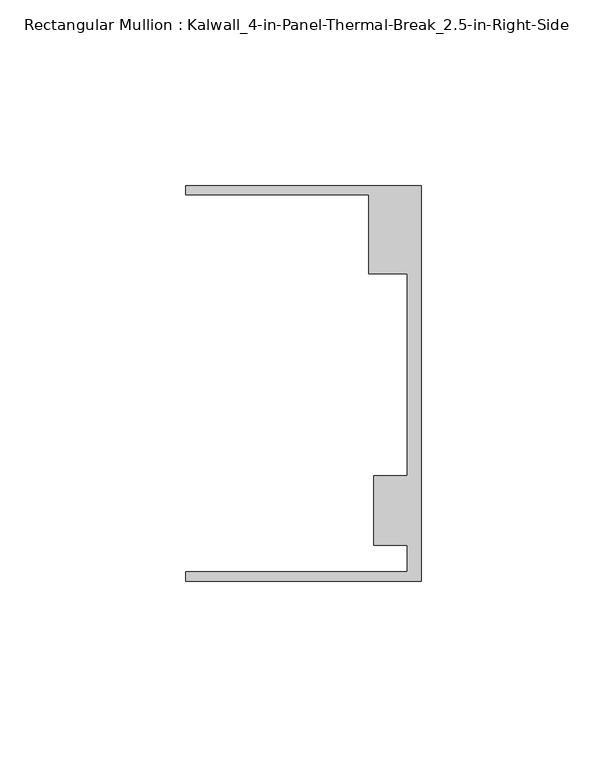
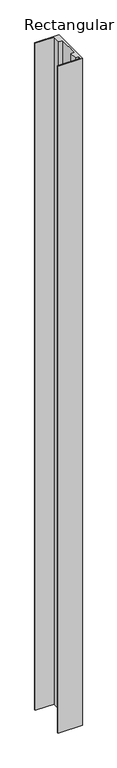
"""IFC4 building model written with IfcOpenShell, lengths in millimetres: member geometry, Rectangular Mullion : Kalwall_4-in-Panel-Thermal-Break_2.5-in-Right-Side."""

import ifcopenshell
import ifcopenshell.guid

model = None  # the IFC model being written
_history = None  # IfcOwnerHistory: only IFC2X3 demands one
_inside = {}  # id of a spatial element -> (the spatial element, [elements in it])
_under = {}  # id of a project, library or spatial element -> (it, [spatial elements below it])
_declared = {}  # id of a project -> (the project, [libraries it declares])
_typed = {}  # id of a type object -> (the type object, [elements of that type])
_made_of = {}  # id of a material, layer set ... -> (it, [elements and type objects made of it])


def new_model(schema):
    """Start an empty IFC model of exactly this schema.

    Asked for "IFC4X3", IfcOpenShell would pick the latest addendum, in which some entities
    have other attributes; the version numbers below select the first issue.
    IFC2X3 requires an IfcOwnerHistory on every rooted entity: one is made here for all.
    """
    global model, _history
    if schema == "IFC4X3":
        model = ifcopenshell.file(schema_version=(4, 3, 0, 0))
    else:
        model = ifcopenshell.file(schema=schema)
    _inside.clear()
    _under.clear()
    _declared.clear()
    _typed.clear()
    _made_of.clear()
    _history = None
    if model.schema == "IFC2X3":
        org = make("IfcOrganization", Name="unknown")
        user = make(
            "IfcPersonAndOrganization",
            ThePerson=make("IfcPerson", FamilyName="unknown"),
            TheOrganization=org,
        )
        app = make(
            "IfcApplication",
            ApplicationDeveloper=org,
            Version="unknown",
            ApplicationFullName="unknown",
            ApplicationIdentifier="unknown",
        )
        _history = make(
            "IfcOwnerHistory",
            OwningUser=user,
            OwningApplication=app,
            ChangeAction="ADDED",
            CreationDate=0,
        )
    return model


def make(cls, **values):
    """One entity of the class cls with the attributes given. An attribute that is None is left unset."""
    return model.create_entity(
        cls, **{name: value for name, value in values.items() if value is not None}
    )


def rooted(cls, **values):
    """An entity with a GlobalId (a new one), such as an element, a storey or a relation."""
    return make(cls, GlobalId=ifcopenshell.guid.new(), OwnerHistory=_history, **values)


def si_unit(unit_type, name, prefix=None):
    """IfcSIUnit, for example si_unit("LENGTHUNIT", "METRE", prefix="MILLI")."""
    return make("IfcSIUnit", UnitType=unit_type, Prefix=prefix, Name=name)


def assignment(units):
    """IfcUnitAssignment: the units of a project."""
    return None if units is None else make("IfcUnitAssignment", Units=units)


def point(xyz):
    """IfcCartesianPoint."""
    return None if xyz is None else make("IfcCartesianPoint", Coordinates=xyz)


def direction(xyz):
    """IfcDirection."""
    return None if xyz is None else make("IfcDirection", DirectionRatios=xyz)


def frame(location, z_axis=None, x_axis=None):
    """IfcAxis2Placement3D, a coordinate frame: its origin and axes. An axis left out is left unset."""
    return make(
        "IfcAxis2Placement3D",
        Location=point(location),
        Axis=direction(z_axis),
        RefDirection=direction(x_axis),
    )


def origin():
    """The frame at (0, 0, 0) with its axes left unset."""
    return frame((0.0, 0.0, 0.0))


def place(relative_to, where):
    """IfcLocalPlacement: puts the frame where relative to a parent placement (None: the world)."""
    return make(
        "IfcLocalPlacement", PlacementRelTo=relative_to, RelativePlacement=where
    )


def context(
    kind, dimensions, precision=None, world=None, true_north=None, identifier=None
):
    """IfcGeometricRepresentationContext, for example the 3D "Model" context."""
    return make(
        "IfcGeometricRepresentationContext",
        ContextIdentifier=identifier,
        ContextType=kind,
        CoordinateSpaceDimension=dimensions,
        Precision=precision,
        WorldCoordinateSystem=world,
        TrueNorth=true_north,
    )


def project(units=None, contexts=None):
    """IfcProject with its units and contexts."""
    return rooted(
        "IfcProject",
        Name="project",
        RepresentationContexts=contexts,
        UnitsInContext=assignment(units),
    )


def spatial(cls, under=None, at=None, **own):
    """A site, building, storey or space (cls), placed at a placement, below another one or the project."""
    s = rooted(cls, ObjectPlacement=at, **own)
    if under is not None:
        _under.setdefault(under.id(), (under, []))[1].append(s)
    return s


def polyline(points):
    """IfcPolyline through the points."""
    return make("IfcPolyline", Points=[point(p) for p in points])


def outline(outer, holes=None, kind="AREA"):
    """IfcArbitraryClosedProfileDef: a profile drawn as a closed curve; with holes, ...WithVoids."""
    if holes is None:
        return make("IfcArbitraryClosedProfileDef", ProfileType=kind, OuterCurve=outer)
    return make(
        "IfcArbitraryProfileDefWithVoids",
        ProfileType=kind,
        OuterCurve=outer,
        InnerCurves=holes,
    )


def extrude(swept, where, along, depth):
    """IfcExtrudedAreaSolid: the profile swept, set in the frame where, extruded along a direction by depth."""
    return make(
        "IfcExtrudedAreaSolid",
        SweptArea=swept,
        Position=where,
        ExtrudedDirection=direction(along),
        Depth=depth,
    )


def shape(context_of_items, identifier, shape_type, items):
    """IfcShapeRepresentation: the items that make up one representation, for example the "Body"."""
    return make(
        "IfcShapeRepresentation",
        ContextOfItems=context_of_items,
        RepresentationIdentifier=identifier,
        RepresentationType=shape_type,
        Items=items,
    )


def source(mapping_origin, context_of_items, identifier, shape_type, items):
    """IfcRepresentationMap: a shape defined once, which mapped items show again and again."""
    return make(
        "IfcRepresentationMap",
        MappingOrigin=mapping_origin,
        MappedRepresentation=shape(context_of_items, identifier, shape_type, items),
    )


def transform(
    local_origin,
    x_axis=None,
    y_axis=None,
    z_axis=None,
    scale=None,
    scale2=None,
    scale3=None,
    uniform=True,
):
    """IfcCartesianTransformationOperator3D, or its non-uniform kind. x_axis, y_axis, z_axis: its Axis1, 2, 3."""
    if uniform:
        return make(
            "IfcCartesianTransformationOperator3D",
            Axis1=direction(x_axis),
            Axis2=direction(y_axis),
            LocalOrigin=point(local_origin),
            Scale=scale,
            Axis3=direction(z_axis),
        )
    return make(
        "IfcCartesianTransformationOperator3DnonUniform",
        Axis1=direction(x_axis),
        Axis2=direction(y_axis),
        LocalOrigin=point(local_origin),
        Scale=scale,
        Axis3=direction(z_axis),
        Scale2=scale2,
        Scale3=scale3,
    )


def mapped(mapping_source, mapping_target):
    """IfcMappedItem: shows the shape of a source again, moved by a transform."""
    return make(
        "IfcMappedItem", MappingSource=mapping_source, MappingTarget=mapping_target
    )


def made_of(thing, what):
    """Note that an element or type object is made of a material, layer set ...; save() writes the relation."""
    if what is not None:
        _made_of.setdefault(what.id(), (what, []))[1].append(thing)
    return thing


def element(
    cls,
    number,
    at=None,
    inside=None,
    cuts=None,
    type_object=None,
    material=None,
    context=None,
    identifier="Body",
    shape_type=None,
    held_by="IfcProductDefinitionShape",
    body=None,
    shapes=None,
    **own,
):
    """One element of the class cls, such as IfcWall. Its Tag is "e" and its number.

    at: its placement. inside: the storey or other place that contains it. cuts: it is an
    opening in that element (IfcRelVoidsElement). A single representation is given by context,
    identifier, shape_type and body (its items); several are given by shapes. held_by: the class
    of the entity that holds the representations. save() writes the other relations.
    """
    e = rooted(cls, Tag="e%d" % number, ObjectPlacement=at, **own)
    if body is not None:
        shapes = [shape(context, identifier, shape_type, body)]
    if shapes is not None:
        e.Representation = make(held_by, Representations=shapes)
    if inside is not None:
        _inside.setdefault(inside.id(), (inside, []))[1].append(e)
    if cuts is not None:
        rooted(
            "IfcRelVoidsElement", RelatingBuildingElement=cuts, RelatedOpeningElement=e
        )
    if type_object is not None:
        _typed.setdefault(type_object.id(), (type_object, []))[1].append(e)
    return made_of(e, material)


def aggregate(whole, parts):
    """IfcRelAggregates: a whole, such as a stair, and the parts it consists of."""
    return rooted("IfcRelAggregates", RelatingObject=whole, RelatedObjects=parts)


def save(model, path):
    """Write the relations noted so far, then the file.

    IfcRelAggregates (storeys below a building ...), IfcRelContainedInSpatialStructure (elements
    in a storey), IfcRelDefinesByType, IfcRelAssociatesMaterial and IfcRelDeclares: one each for
    every whole, place, type object, material and project.
    """
    for whole, parts in _under.values():
        aggregate(whole, parts)
    for where, things in _inside.values():
        rooted(
            "IfcRelContainedInSpatialStructure",
            RelatedElements=things,
            RelatingStructure=where,
        )
    for kind, things in _typed.values():
        rooted("IfcRelDefinesByType", RelatedObjects=things, RelatingType=kind)
    for what, things in _made_of.values():
        rooted("IfcRelAssociatesMaterial", RelatedObjects=things, RelatingMaterial=what)
    for by, libraries in _declared.values():
        rooted("IfcRelDeclares", RelatingContext=by, RelatedDefinitions=libraries)
    model.write(path)


def rectangular_mullion_kalwall_4_in_panel_thermal_break_2_5_in_94dcc735(model_context):
    return source(origin(), model_context, "Body", "SweptSolid", [
        extrude(outline(polyline([(0.0, -53.3026386), (-63.5, -53.3026386), (-63.5, -50.7626386), (-3.7084, -50.7626386), (-3.7084, -43.6138568), (-12.8272539, -43.6138568), (-12.8272539, -24.9129886), (-3.7084, -24.9129886), (-3.7084, 29.5648614), (-14.1732, 29.5648614), (-14.1732, 50.8373614), (-63.5, 50.8373614), (-63.5, 53.3773614), (0.0, 53.3773614), (0.0, -53.3026386)])), frame((0.0, 0.0, -1851.025), z_axis=(0.0, 0.0, 1.0), x_axis=(1.0, 0.0, 0.0)), (0.0, 0.0, 1.0), 1851.025),
    ])


if __name__ == "__main__":
    model = new_model("IFC4")
    model_context = context("Model", 3, world=origin())
    ifc_project = project(units=[si_unit("LENGTHUNIT", "METRE", prefix="MILLI")], contexts=[model_context])
    site = spatial("IfcSite", under=ifc_project)
    building = spatial("IfcBuilding", under=site)
    placement = place(None, origin())
    rectangular_mullion_kalwall_4_in_panel_thermal_break_2_5_in_shape = rectangular_mullion_kalwall_4_in_panel_thermal_break_2_5_in_94dcc735(model_context)
    element("IfcMember", 1, ObjectType="Rectangular Mullion : Kalwall_4-in-Panel-Thermal-Break_2.5-in-Right-Side", at=placement, inside=building, context=model_context, shape_type="MappedRepresentation", body=[
        mapped(rectangular_mullion_kalwall_4_in_panel_thermal_break_2_5_in_shape, transform((0.0, 0.0, 0.0), x_axis=(1.0, 0.0, 0.0), y_axis=(0.0, 1.0, 0.0), z_axis=(0.0, 0.0, 1.0))),
    ])
    save(model, "model.ifc")
